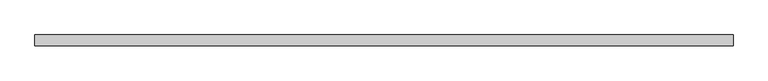
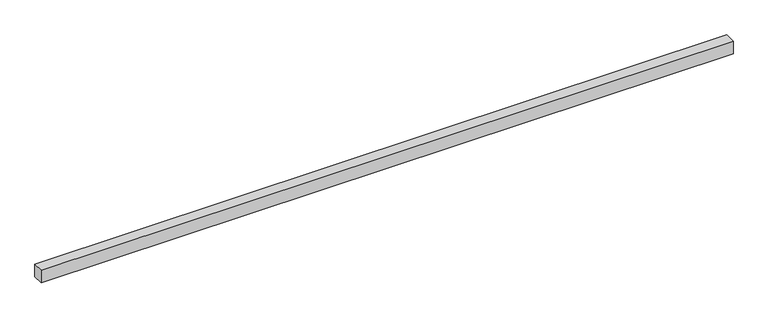
"""IFC4 building model written with IfcOpenShell, lengths in millimetres: proxy geometry."""

import ifcopenshell
import ifcopenshell.guid

model = None  # the IFC model being written
_history = None  # IfcOwnerHistory: only IFC2X3 demands one
_inside = {}  # id of a spatial element -> (the spatial element, [elements in it])
_under = {}  # id of a project, library or spatial element -> (it, [spatial elements below it])
_declared = {}  # id of a project -> (the project, [libraries it declares])
_typed = {}  # id of a type object -> (the type object, [elements of that type])
_made_of = {}  # id of a material, layer set ... -> (it, [elements and type objects made of it])


def new_model(schema):
    """Start an empty IFC model of exactly this schema.

    Asked for "IFC4X3", IfcOpenShell would pick the latest addendum, in which some entities
    have other attributes; the version numbers below select the first issue.
    IFC2X3 requires an IfcOwnerHistory on every rooted entity: one is made here for all.
    """
    global model, _history
    if schema == "IFC4X3":
        model = ifcopenshell.file(schema_version=(4, 3, 0, 0))
    else:
        model = ifcopenshell.file(schema=schema)
    _inside.clear()
    _under.clear()
    _declared.clear()
    _typed.clear()
    _made_of.clear()
    _history = None
    if model.schema == "IFC2X3":
        org = make("IfcOrganization", Name="unknown")
        user = make(
            "IfcPersonAndOrganization",
            ThePerson=make("IfcPerson", FamilyName="unknown"),
            TheOrganization=org,
        )
        app = make(
            "IfcApplication",
            ApplicationDeveloper=org,
            Version="unknown",
            ApplicationFullName="unknown",
            ApplicationIdentifier="unknown",
        )
        _history = make(
            "IfcOwnerHistory",
            OwningUser=user,
            OwningApplication=app,
            ChangeAction="ADDED",
            CreationDate=0,
        )
    return model


def make(cls, **values):
    """One entity of the class cls with the attributes given. An attribute that is None is left unset."""
    return model.create_entity(
        cls, **{name: value for name, value in values.items() if value is not None}
    )


def rooted(cls, **values):
    """An entity with a GlobalId (a new one), such as an element, a storey or a relation."""
    return make(cls, GlobalId=ifcopenshell.guid.new(), OwnerHistory=_history, **values)


def si_unit(unit_type, name, prefix=None):
    """IfcSIUnit, for example si_unit("LENGTHUNIT", "METRE", prefix="MILLI")."""
    return make("IfcSIUnit", UnitType=unit_type, Prefix=prefix, Name=name)


def assignment(units):
    """IfcUnitAssignment: the units of a project."""
    return None if units is None else make("IfcUnitAssignment", Units=units)


def point(xyz):
    """IfcCartesianPoint."""
    return None if xyz is None else make("IfcCartesianPoint", Coordinates=xyz)


def direction(xyz):
    """IfcDirection."""
    return None if xyz is None else make("IfcDirection", DirectionRatios=xyz)


def frame(location, z_axis=None, x_axis=None):
    """IfcAxis2Placement3D, a coordinate frame: its origin and axes. An axis left out is left unset."""
    return make(
        "IfcAxis2Placement3D",
        Location=point(location),
        Axis=direction(z_axis),
        RefDirection=direction(x_axis),
    )


def origin():
    """The frame at (0, 0, 0) with its axes left unset."""
    return frame((0.0, 0.0, 0.0))


def origin_with_axes():
    """The frame at (0, 0, 0) with the z axis (0, 0, 1) and the x axis (1, 0, 0) written out."""
    return frame((0.0, 0.0, 0.0), z_axis=(0.0, 0.0, 1.0), x_axis=(1.0, 0.0, 0.0))


def place(relative_to, where):
    """IfcLocalPlacement: puts the frame where relative to a parent placement (None: the world)."""
    return make(
        "IfcLocalPlacement", PlacementRelTo=relative_to, RelativePlacement=where
    )


def context(
    kind, dimensions, precision=None, world=None, true_north=None, identifier=None
):
    """IfcGeometricRepresentationContext, for example the 3D "Model" context."""
    return make(
        "IfcGeometricRepresentationContext",
        ContextIdentifier=identifier,
        ContextType=kind,
        CoordinateSpaceDimension=dimensions,
        Precision=precision,
        WorldCoordinateSystem=world,
        TrueNorth=true_north,
    )


def project(units=None, contexts=None):
    """IfcProject with its units and contexts."""
    return rooted(
        "IfcProject",
        Name="project",
        RepresentationContexts=contexts,
        UnitsInContext=assignment(units),
    )


def spatial(cls, under=None, at=None, **own):
    """A site, building, storey or space (cls), placed at a placement, below another one or the project."""
    s = rooted(cls, ObjectPlacement=at, **own)
    if under is not None:
        _under.setdefault(under.id(), (under, []))[1].append(s)
    return s


def polyline(points):
    """IfcPolyline through the points."""
    return make("IfcPolyline", Points=[point(p) for p in points])


def outline(outer, holes=None, kind="AREA"):
    """IfcArbitraryClosedProfileDef: a profile drawn as a closed curve; with holes, ...WithVoids."""
    if holes is None:
        return make("IfcArbitraryClosedProfileDef", ProfileType=kind, OuterCurve=outer)
    return make(
        "IfcArbitraryProfileDefWithVoids",
        ProfileType=kind,
        OuterCurve=outer,
        InnerCurves=holes,
    )


def extrude(swept, where, along, depth):
    """IfcExtrudedAreaSolid: the profile swept, set in the frame where, extruded along a direction by depth."""
    return make(
        "IfcExtrudedAreaSolid",
        SweptArea=swept,
        Position=where,
        ExtrudedDirection=direction(along),
        Depth=depth,
    )


def shape(context_of_items, identifier, shape_type, items):
    """IfcShapeRepresentation: the items that make up one representation, for example the "Body"."""
    return make(
        "IfcShapeRepresentation",
        ContextOfItems=context_of_items,
        RepresentationIdentifier=identifier,
        RepresentationType=shape_type,
        Items=items,
    )


def source(mapping_origin, context_of_items, identifier, shape_type, items):
    """IfcRepresentationMap: a shape defined once, which mapped items show again and again."""
    return make(
        "IfcRepresentationMap",
        MappingOrigin=mapping_origin,
        MappedRepresentation=shape(context_of_items, identifier, shape_type, items),
    )


def transform(
    local_origin,
    x_axis=None,
    y_axis=None,
    z_axis=None,
    scale=None,
    scale2=None,
    scale3=None,
    uniform=True,
):
    """IfcCartesianTransformationOperator3D, or its non-uniform kind. x_axis, y_axis, z_axis: its Axis1, 2, 3."""
    if uniform:
        return make(
            "IfcCartesianTransformationOperator3D",
            Axis1=direction(x_axis),
            Axis2=direction(y_axis),
            LocalOrigin=point(local_origin),
            Scale=scale,
            Axis3=direction(z_axis),
        )
    return make(
        "IfcCartesianTransformationOperator3DnonUniform",
        Axis1=direction(x_axis),
        Axis2=direction(y_axis),
        LocalOrigin=point(local_origin),
        Scale=scale,
        Axis3=direction(z_axis),
        Scale2=scale2,
        Scale3=scale3,
    )


def mapped(mapping_source, mapping_target):
    """IfcMappedItem: shows the shape of a source again, moved by a transform."""
    return make(
        "IfcMappedItem", MappingSource=mapping_source, MappingTarget=mapping_target
    )


def made_of(thing, what):
    """Note that an element or type object is made of a material, layer set ...; save() writes the relation."""
    if what is not None:
        _made_of.setdefault(what.id(), (what, []))[1].append(thing)
    return thing


def element(
    cls,
    number,
    at=None,
    inside=None,
    cuts=None,
    type_object=None,
    material=None,
    context=None,
    identifier="Body",
    shape_type=None,
    held_by="IfcProductDefinitionShape",
    body=None,
    shapes=None,
    **own,
):
    """One element of the class cls, such as IfcWall. Its Tag is "e" and its number.

    at: its placement. inside: the storey or other place that contains it. cuts: it is an
    opening in that element (IfcRelVoidsElement). A single representation is given by context,
    identifier, shape_type and body (its items); several are given by shapes. held_by: the class
    of the entity that holds the representations. save() writes the other relations.
    """
    e = rooted(cls, Tag="e%d" % number, ObjectPlacement=at, **own)
    if body is not None:
        shapes = [shape(context, identifier, shape_type, body)]
    if shapes is not None:
        e.Representation = make(held_by, Representations=shapes)
    if inside is not None:
        _inside.setdefault(inside.id(), (inside, []))[1].append(e)
    if cuts is not None:
        rooted(
            "IfcRelVoidsElement", RelatingBuildingElement=cuts, RelatedOpeningElement=e
        )
    if type_object is not None:
        _typed.setdefault(type_object.id(), (type_object, []))[1].append(e)
    return made_of(e, material)


def aggregate(whole, parts):
    """IfcRelAggregates: a whole, such as a stair, and the parts it consists of."""
    return rooted("IfcRelAggregates", RelatingObject=whole, RelatedObjects=parts)


def save(model, path):
    """Write the relations noted so far, then the file.

    IfcRelAggregates (storeys below a building ...), IfcRelContainedInSpatialStructure (elements
    in a storey), IfcRelDefinesByType, IfcRelAssociatesMaterial and IfcRelDeclares: one each for
    every whole, place, type object, material and project.
    """
    for whole, parts in _under.values():
        aggregate(whole, parts)
    for where, things in _inside.values():
        rooted(
            "IfcRelContainedInSpatialStructure",
            RelatedElements=things,
            RelatingStructure=where,
        )
    for kind, things in _typed.values():
        rooted("IfcRelDefinesByType", RelatedObjects=things, RelatingType=kind)
    for what, things in _made_of.values():
        rooted("IfcRelAssociatesMaterial", RelatedObjects=things, RelatingMaterial=what)
    for by, libraries in _declared.values():
        rooted("IfcRelDeclares", RelatingContext=by, RelatedDefinitions=libraries)
    model.write(path)


def generic_models_b79fcb04(model_context):
    return source(origin(), model_context, "Body", "SweptSolid", [
        extrude(outline(polyline([(5160.0, -40.0), (0.0, -40.0), (0.0, 40.0), (5160.0, 40.0), (5160.0, -40.0)])), origin_with_axes(), (0.0, 0.0, 1.0), 100.0),
    ])


if __name__ == "__main__":
    model = new_model("IFC4")
    model_context = context("Model", 3, world=origin())
    ifc_project = project(units=[si_unit("LENGTHUNIT", "METRE", prefix="MILLI")], contexts=[model_context])
    site = spatial("IfcSite", under=ifc_project)
    building = spatial("IfcBuilding", under=site)
    placement = place(None, origin())
    generic_models_shape = generic_models_b79fcb04(model_context)
    element("IfcBuildingElementProxy", 1, Name="Generic Models", at=placement, inside=building, context=model_context, shape_type="MappedRepresentation", body=[
        mapped(generic_models_shape, transform((0.0, 0.0, 0.0), x_axis=(1.0, 0.0, 0.0), y_axis=(0.0, 1.0, 0.0), z_axis=(0.0, 0.0, 1.0))),
    ])
    save(model, "model.ifc")
